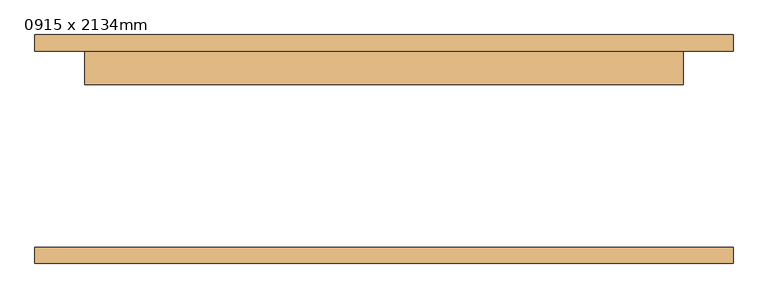
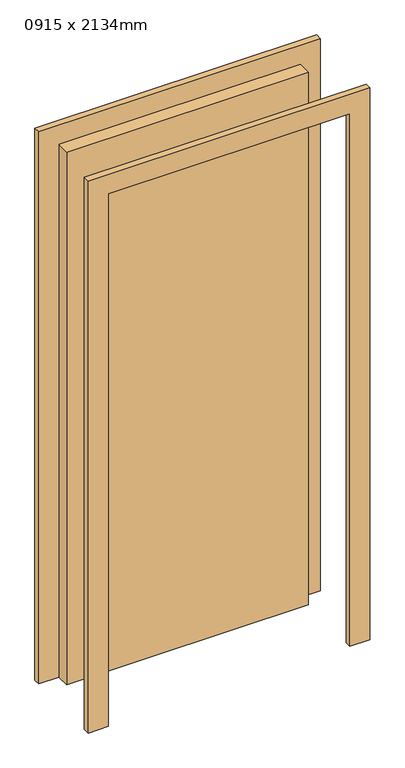
"""IFC4 building model written with IfcOpenShell, lengths in millimetres: door geometry, 0915 x 2134mm."""

from ifc_helpers import new_model, si_unit, frame, origin, origin_with_axes, place, context, project, spatial, polyline, outline, extrude, source, transform, mapped, element, save


def door_0915_x_2134mm_9cebaac8(model_context):
    return source(origin(), model_context, "Body", "SweptSolid", [
        extrude(outline(polyline([(2210.0, -533.5), (0.0, -533.5), (0.0, -457.5), (2134.0, -457.5), (2134.0, 457.5), (0.0, 457.5), (0.0, 533.5), (2210.0, 533.5), (2210.0, -533.5)])), frame((0.0, 150.0, 0.0), z_axis=(0.0, 1.0, 0.0), x_axis=(0.0, 0.0, 1.0)), (0.0, 0.0, 1.0), 25.0),
        extrude(outline(polyline([(2210.0, 533.5), (2210.0, -533.5), (0.0, -533.5), (0.0, -457.5), (2134.0, -457.5), (2134.0, 457.5), (0.0, 457.5), (0.0, 533.5), (2210.0, 533.5)])), frame((0.0, -175.0, 0.0), z_axis=(0.0, 1.0, 0.0), x_axis=(0.0, 0.0, 1.0)), (0.0, 0.0, 1.0), 25.0),
        extrude(outline(polyline([(457.5, 99.0), (-457.5, 99.0), (-457.5, 150.0), (457.5, 150.0), (457.5, 99.0)])), origin_with_axes(), (0.0, 0.0, 1.0), 2134.0),
    ])


if __name__ == "__main__":
    model = new_model("IFC4")
    model_context = context("Model", 3, world=origin())
    ifc_project = project(units=[si_unit("LENGTHUNIT", "METRE", prefix="MILLI")], contexts=[model_context])
    site = spatial("IfcSite", under=ifc_project)
    building = spatial("IfcBuilding", under=site)
    placement = place(None, origin())
    door_0915_x_2134mm_shape = door_0915_x_2134mm_9cebaac8(model_context)
    element("IfcDoor", 1, ObjectType="0915 x 2134mm", at=placement, inside=building, context=model_context, shape_type="MappedRepresentation", body=[
        mapped(door_0915_x_2134mm_shape, transform((0.0, 0.0, 0.0), x_axis=(1.0, 0.0, 0.0), y_axis=(0.0, 1.0, 0.0), z_axis=(0.0, 0.0, 1.0))),
    ])
    save(model, "model.ifc")
